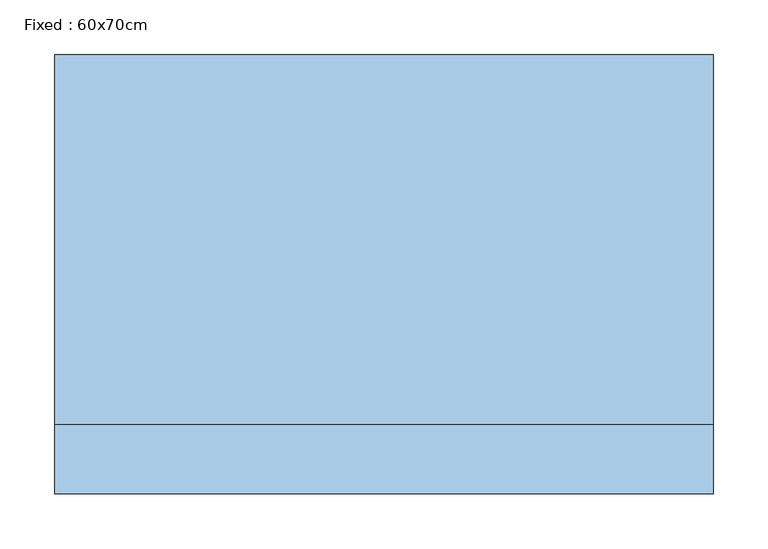
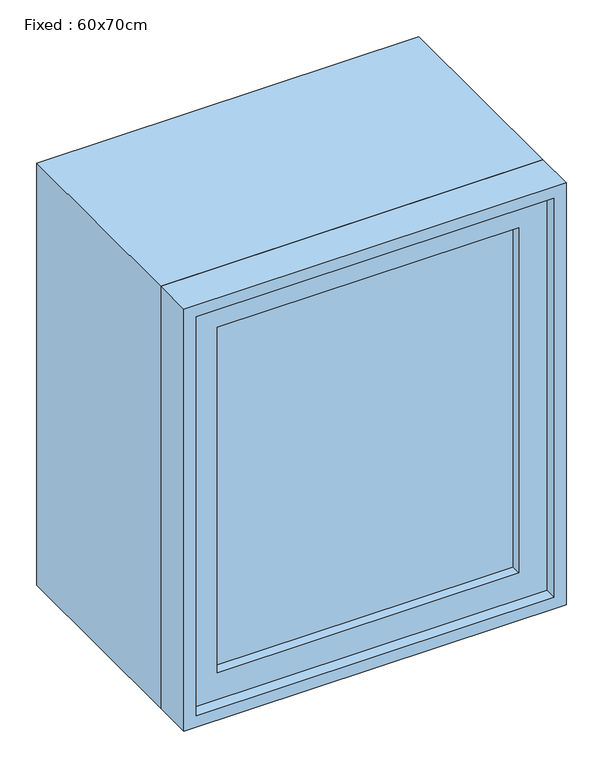
"""IFC4 building model written with IfcOpenShell, lengths in millimetres: window geometry, Fixed : 60x70cm."""

from ifc_helpers import new_model, si_unit, frame, origin, place, context, project, spatial, polyline, outline, extrude, source, transform, mapped, element, save


def fixed_60x70cm_f5b46846(model_context):
    return source(origin(), model_context, "Body", "SweptSolid", [
        extrude(outline(polyline([(198.4, -152.375), (198.4, -165.075), (-274.6, -165.075), (-274.6, -152.375), (198.4, -152.375)])), frame((0.0, 0.0, 663.5), z_axis=(0.0, 0.0, 1.0), x_axis=(1.0, 0.0, 0.0)), (0.0, 0.0, 1.0), 573.0),
        extrude(outline(polyline([(1280.95, -319.05), (619.05, -319.05), (619.05, 242.85), (1280.95, 242.85), (1280.95, -319.05)]), holes=[polyline([(1236.5, -274.6), (1236.5, 198.4), (663.5, 198.4), (663.5, -274.6), (1236.5, -274.6)])]), frame((0.0, -180.95, 0.0), z_axis=(0.0, 1.0, 0.0), x_axis=(0.0, 0.0, 1.0)), (0.0, 0.0, 1.0), 44.45),
        extrude(outline(polyline([(1300.0, -338.1), (600.0, -338.1), (600.0, 261.9), (1300.0, 261.9), (1300.0, -338.1)]), holes=[polyline([(1268.25, -306.35), (1268.25, 230.15), (631.75, 230.15), (631.75, -306.35), (1268.25, -306.35)])]), frame((0.0, -136.5, 0.0), z_axis=(0.0, 1.0, 0.0), x_axis=(0.0, 0.0, 1.0)), (0.0, 0.0, 1.0), 336.5),
        extrude(outline(polyline([(1300.0, 261.9), (1300.0, -338.1), (600.0, -338.1), (600.0, 261.9), (1300.0, 261.9)]), holes=[polyline([(1280.95, 242.85), (619.05, 242.85), (619.05, -319.05), (1280.95, -319.05), (1280.95, 242.85)])]), frame((0.0, -200.0, 0.0), z_axis=(0.0, 1.0, 0.0), x_axis=(0.0, 0.0, 1.0)), (0.0, 0.0, 1.0), 63.5),
    ])


if __name__ == "__main__":
    model = new_model("IFC4")
    model_context = context("Model", 3, world=origin())
    ifc_project = project(units=[si_unit("LENGTHUNIT", "METRE", prefix="MILLI")], contexts=[model_context])
    site = spatial("IfcSite", under=ifc_project)
    building = spatial("IfcBuilding", under=site)
    placement = place(None, origin())
    fixed_60x70cm_shape = fixed_60x70cm_f5b46846(model_context)
    element("IfcWindow", 1, ObjectType="Fixed : 60x70cm", at=placement, inside=building, context=model_context, shape_type="MappedRepresentation", body=[
        mapped(fixed_60x70cm_shape, transform((0.0, 0.0, 0.0), x_axis=(1.0, 0.0, 0.0), y_axis=(0.0, 1.0, 0.0), z_axis=(0.0, 0.0, 1.0))),
    ])
    save(model, "model.ifc")
